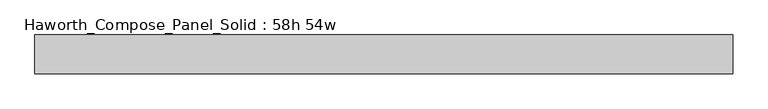
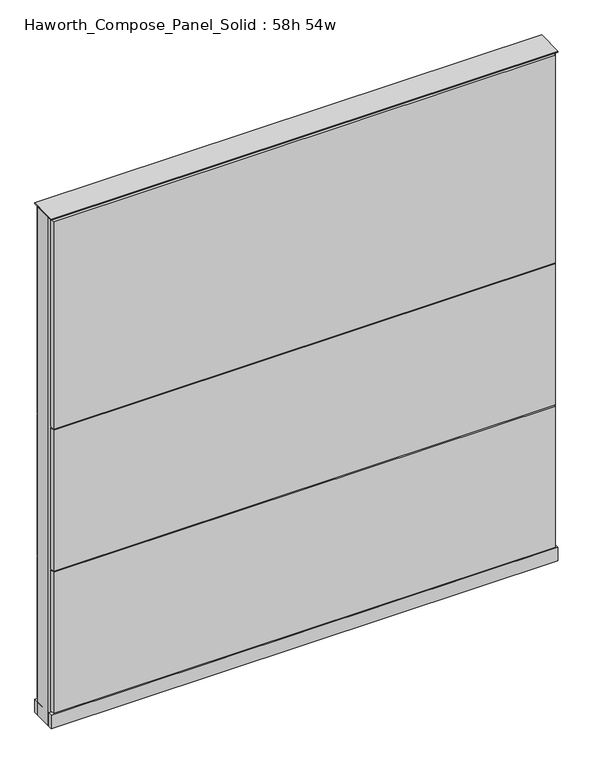
"""IFC4 building model written with IfcOpenShell, lengths in millimetres: furniture geometry, Haworth_Compose_Panel_Solid : 58h 54w."""

from ifc_helpers import new_model, si_unit, point, frame, frame_2d, origin, origin_with_axes, place, context, project, spatial, polyline, circle_curve, trimmed, segment, composite_curve, outline, extrude, source, transform, mapped, element, save


def haworth_compose_panel_solid_58h_54w_7e8bc688(model_context):
    return source(origin(), model_context, "Body", "SweptSolid", [
        extrude(outline(composite_curve([segment(trimmed(circle_curve(frame_2d((-607.1597098, 0.0)), 12.7), [point((-619.8597098, 0.0))], [point((-594.4597098, 0.0))], False, "CARTESIAN"), True, "CONTINUOUS"), segment(trimmed(circle_curve(frame_2d((-607.1597098, 0.0)), 12.7), [point((-594.4597098, 0.0))], [point((-619.8597098, 0.0))], False, "CARTESIAN"), True, "CONTINUOUS")], self_intersect=False)), origin_with_axes(), (0.0, 0.0, 1.0), 12.7),
        extrude(outline(composite_curve([segment(trimmed(circle_curve(frame_2d((612.0402902, 0.0)), 12.7), [point((599.3402902, 0.0))], [point((624.7402902, 0.0))], False, "CARTESIAN"), True, "CONTINUOUS"), segment(trimmed(circle_curve(frame_2d((612.0402902, 0.0)), 12.7), [point((624.7402902, 0.0))], [point((599.3402902, 0.0))], False, "CARTESIAN"), True, "CONTINUOUS")], self_intersect=False)), origin_with_axes(), (0.0, 0.0, 1.0), 12.7),
        extrude(outline(polyline([(681.8902902, 38.1), (681.8902902, 25.4), (-677.0097098, 25.4), (-677.0097098, 38.1), (681.8902902, 38.1)])), frame((0.0, 0.0, 866.775), z_axis=(0.0, 0.0, 1.0), x_axis=(1.0, 0.0, 0.0)), (0.0, 0.0, 1.0), 593.725),
        extrude(outline(polyline([(681.8902902, 38.1), (681.8902902, 25.4), (-677.0097098, 25.4), (-677.0097098, 38.1), (681.8902902, 38.1)])), frame((0.0, 0.0, 460.375), z_axis=(0.0, 0.0, 1.0), x_axis=(1.0, 0.0, 0.0)), (0.0, 0.0, 1.0), 403.225),
        extrude(outline(polyline([(681.8902902, 38.1), (681.8902902, 25.4), (-677.0097098, 25.4), (-677.0097098, 38.1), (681.8902902, 38.1)])), frame((0.0, 0.0, 53.975), z_axis=(0.0, 0.0, 1.0), x_axis=(1.0, 0.0, 0.0)), (0.0, 0.0, 1.0), 403.225),
        extrude(outline(polyline([(681.8902902, -38.1), (-677.0097098, -38.1), (-677.0097098, -25.4), (681.8902902, -25.4), (681.8902902, -38.1)])), frame((0.0, 0.0, 866.775), z_axis=(0.0, 0.0, 1.0), x_axis=(1.0, 0.0, 0.0)), (0.0, 0.0, 1.0), 593.725),
        extrude(outline(polyline([(681.8902902, -38.1), (-677.0097098, -38.1), (-677.0097098, -25.4), (681.8902902, -25.4), (681.8902902, -38.1)])), frame((0.0, 0.0, 460.375), z_axis=(0.0, 0.0, 1.0), x_axis=(1.0, 0.0, 0.0)), (0.0, 0.0, 1.0), 403.225),
        extrude(outline(polyline([(681.8902902, -38.1), (-677.0097098, -38.1), (-677.0097098, -25.4), (681.8902902, -25.4), (681.8902902, -38.1)])), frame((0.0, 0.0, 53.975), z_axis=(0.0, 0.0, 1.0), x_axis=(1.0, 0.0, 0.0)), (0.0, 0.0, 1.0), 403.225),
        extrude(outline(polyline([(688.2402902, 25.4), (688.2402902, -25.4), (-683.3597098, -25.4), (-683.3597098, 25.4), (688.2402902, 25.4)])), frame((0.0, 0.0, 12.7), z_axis=(0.0, 0.0, 1.0), x_axis=(1.0, 0.0, 0.0)), (0.0, 0.0, 1.0), 1454.15),
        extrude(outline(polyline([(-683.3597098, -38.1), (-683.3597098, 38.1), (688.2402902, 38.1), (688.2402902, -38.1), (-683.3597098, -38.1)])), frame((0.0, 0.0, 12.7), z_axis=(0.0, 0.0, 1.0), x_axis=(1.0, 0.0, 0.0)), (0.0, 0.0, 1.0), 38.1),
        extrude(outline(polyline([(-683.3597098, -38.1), (-683.3597098, 38.1), (688.2402902, 38.1), (688.2402902, -38.1), (-683.3597098, -38.1)])), frame((0.0, 0.0, 1466.85), z_axis=(0.0, 0.0, 1.0), x_axis=(1.0, 0.0, 0.0)), (0.0, 0.0, 1.0), 3.175),
    ])


if __name__ == "__main__":
    model = new_model("IFC4")
    model_context = context("Model", 3, world=origin())
    ifc_project = project(units=[si_unit("LENGTHUNIT", "METRE", prefix="MILLI")], contexts=[model_context])
    site = spatial("IfcSite", under=ifc_project)
    building = spatial("IfcBuilding", under=site)
    placement = place(None, origin())
    haworth_compose_panel_solid_58h_54w_shape = haworth_compose_panel_solid_58h_54w_7e8bc688(model_context)
    element("IfcFurniture", 1, ObjectType="Haworth_Compose_Panel_Solid : 58h 54w", at=placement, inside=building, context=model_context, shape_type="MappedRepresentation", body=[
        mapped(haworth_compose_panel_solid_58h_54w_shape, transform((0.0, 0.0, 0.0), x_axis=(1.0, 0.0, 0.0), y_axis=(0.0, 1.0, 0.0), z_axis=(0.0, 0.0, 1.0))),
    ])
    save(model, "model.ifc")
